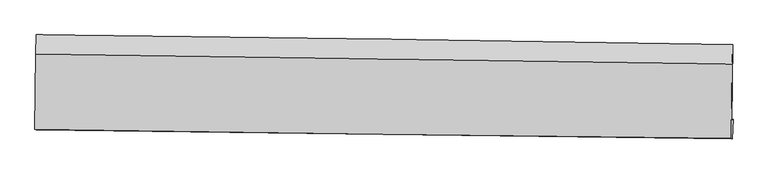
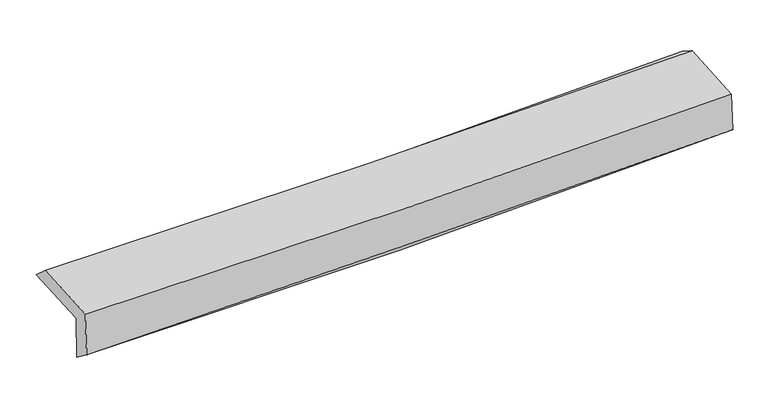
"""IFC4 building model written with IfcOpenShell, lengths in millimetres: proxy geometry."""

from ifc_helpers import new_model, si_unit, frame, origin, place, context, project, spatial, source, transform, mapped, element, save
from ifc_brep_helpers import plane_surface, spline_curve, spline_surface, advanced_brep


def generic_models_b26a0c39(model_context):
    return source(origin(), model_context, "Body", "AdvancedBrep", [
        advanced_brep(
        [(-3031.0899094, -1756.2330354, 1957.6155334), (-3023.9199732, -1086.7886089, 1983.5018663), (3016.5332591, -1170.7686369, 2142.4473806), (3009.537741, -1835.6499686, 2111.7056711), (-3020.9752582, -1743.8325762, 1558.0282353), (3019.3947925, -1823.565324, 1722.2950522), (-3026.1694104, -1912.2822358, 1687.3843363), (3013.9600836, -1992.3297435, 1861.145255), (-3036.2294922, -1908.4782435, 2092.367086), (3005.1466316, -1988.997136, 2215.943166), (-3029.5996246, -1255.0753623, 2132.3927514), (3011.7311423, -1340.064381, 2255.6950037)],
        [
            (0, 1),
            (1, 2, spline_curve(3, [(-3023.9199732, -1086.7886089, 1983.5018663), (-2016.378542016, -1098.558118586, 1978.975830808), (-1009.236392718, -1111.441214424, 1989.958291751), (1004.248016953, -1139.434559964, 2042.940170401), (2010.590278571, -1154.54480695, 2084.93954791), (3016.5332591, -1170.7686369, 2142.4473806)], [4, 2, 4], [0.0, 9.914566921715608, 19.829120800872367])),
            (2, 3),
            (3, 0, spline_curve(3, [(3009.537741, -1835.6499686, 2111.7056711), (2003.495841975, -1822.800967525, 2056.58325066), (997.089586456, -1809.758393657, 2016.181194347), (-1016.452962859, -1783.28608313, 1964.817776469), (-2023.58925716, -1769.856346023, 1953.856453443), (-3031.0899094, -1756.2330354, 1957.6155334)], [4, 2, 4], [0.0, 9.91455387915676, 19.829120800872367])),
            (4, 0),
            (3, 5),
            (5, 4, spline_curve(3, [(3019.3947925, -1823.565324, 1722.2950522), (2013.47983378, -1810.560695592, 1662.157759381), (1007.158514685, -1797.413990118, 1618.400209651), (-1006.298167632, -1770.836408, 1563.644560933), (-2013.433532211, -1757.405530615, 1552.64650481), (-3020.9752582, -1743.8325762, 1558.0282353)], [4, 2, 4], [0.0, 9.914628385224361, 19.829269813105583])),
            (6, 4),
            (5, 7),
            (7, 6, spline_curve(3, [(3013.9600836, -1992.3297435, 1861.145255), (2007.492969837, -1980.401111832, 1822.634544083), (1000.915619646, -1967.766175488, 1788.899118467), (-1012.460877739, -1941.083674762, 1730.978799436), (-2019.260025827, -1927.036108698, 1706.793918962), (-3026.1694104, -1912.2822358, 1687.3843363)], [4, 2, 4], [0.0, 9.913924027317384, 19.827861096365048])),
            (8, 6),
            (7, 9),
            (9, 8, spline_curve(3, [(3005.1466316, -1988.997136, 2215.943166), (1998.721039087, -1977.084204608, 2175.76096535), (992.060563687, -1964.417836448, 2145.371858931), (-1021.731476854, -1937.578207299, 2104.179806575), (-2028.863042894, -1923.404945221, 2093.376886496), (-3036.2294922, -1908.4782435, 2092.367086)], [4, 2, 4], [0.0, 9.913501414855318, 19.82701587088497])),
            (10, 8),
            (9, 11),
            (11, 10, spline_curve(3, [(3011.7311423, -1340.064381, 2255.6950037), (2005.331067879, -1325.636537853, 2215.666859914), (998.687131377, -1311.340202667, 2185.37760046), (-1015.089790534, -1283.010529299, 2144.276824106), (-2022.222776139, -1268.977191514, 2133.465332568), (-3029.5996246, -1255.0753623, 2132.3927514)], [4, 2, 4], [0.0, 9.91381330328559, 19.827639648155802])),
            (1, 10),
            (11, 2),
        ],
        [
            spline_surface(3, 3, [[(-3031.0899094, -1756.2330354, 1957.6155334), (-2023.589257253, -1769.856345929, 1953.85645349), (-1016.452962796, -1783.286083101, 1964.817776428), (997.089586393, -1809.758393687, 2016.181194388), (2003.495842041, -1822.800967526, 2056.583250687), (3009.537741, -1835.6499686, 2111.7056711)], [(-3028.699930653, -1533.084893245, 1966.244311031), (-2021.185685463, -1546.090270145, 1962.229579279), (-1014.047439446, -1559.337793502, 1973.19794813), (999.475729914, -1586.317115758, 2025.100853072), (2005.860654201, -1600.048913934, 2066.035349748), (3011.86958035, -1614.022858016, 2121.9529076)], [(-3026.309951947, -1309.936751055, 1974.873088669), (-2018.782113714, -1322.324194324, 1970.602705077), (-1011.641916083, -1335.389503995, 1981.578119921), (1001.861873448, -1362.87583792, 2034.020511844), (2008.225466412, -1377.296860395, 2075.487448807), (3014.20141975, -1392.395747484, 2132.2001441)], [(-3023.9199732, -1086.7886089, 1983.5018663), (-2016.378541925, -1098.558118539, 1978.975830866), (-1009.236392733, -1111.441214396, 1989.958291624), (1004.248016968, -1139.434559991, 2042.940170528), (2010.590278573, -1154.544806804, 2084.939547867), (3016.5332591, -1170.7686369, 2142.4473806)]], [4, 4], [4, 2, 4], [0.0, 2.203491936981015], [0.0, 9.914566921715608, 19.829120800872367]),
            spline_surface(3, 3, [[(-3020.9752582, -1743.8325762, 1558.0282353), (-2013.433532316, -1757.405530748, 1552.646504937), (-1006.298167733, -1770.836407936, 1563.644560928), (1007.158514786, -1797.413990183, 1618.400209656), (2013.479833726, -1810.560695552, 1662.1577593), (3019.3947925, -1823.565324, 1722.2950522)], [(-3024.346808592, -1747.966062591, 1691.224001345), (-2016.818773953, -1761.555802466, 1686.383154466), (-1009.683099432, -1774.986299673, 1697.368966116), (1003.802205311, -1801.528791367, 1750.993871255), (2010.1518365, -1814.640786208, 1793.632923106), (3016.109108669, -1827.593538864, 1852.098591844)], [(-3027.718359008, -1752.099549009, 1824.419767355), (-2020.204015616, -1765.706074211, 1820.119803961), (-1013.068031097, -1779.136191364, 1831.09337124), (1000.445895869, -1805.643592503, 1883.587532789), (2006.823839267, -1818.72087687, 1925.108086881), (3012.823424831, -1831.621753736, 1981.902131456)], [(-3031.0899094, -1756.2330354, 1957.6155334), (-2023.589257253, -1769.856345929, 1953.85645349), (-1016.452962796, -1783.286083101, 1964.817776428), (997.089586393, -1809.758393687, 2016.181194388), (2003.495842041, -1822.800967526, 2056.583250687), (3009.537741, -1835.6499686, 2111.7056711)]], [4, 4], [4, 2, 4], [0.0, 1.3116709752524296], [0.0, 9.914641427881222, 19.829269813105583]),
            spline_surface(3, 3, [[(-3026.1694104, -1912.2822358, 1687.3843363), (-2019.260025745, -1927.036108694, 1706.79391901), (-1012.460877902, -1941.083674782, 1730.97879956), (1000.915619808, -1967.766175468, 1788.899118343), (2007.492969965, -1980.401111992, 1822.634544055), (3013.9600836, -1992.3297435, 1861.145255)], [(-3024.438026357, -1856.132349247, 1644.265635947), (-2017.317861292, -1870.492582692, 1655.411447632), (-1010.406641173, -1884.334585846, 1675.200719993), (1002.996584807, -1910.982113719, 1732.066148757), (2009.488591217, -1923.787639869, 1769.142282464), (3015.771653231, -1936.074937024, 1814.861854061)], [(-3022.706642243, -1799.982462753, 1601.146935653), (-2015.375696769, -1813.94905675, 1604.028976315), (-1008.352404462, -1827.585496871, 1619.422640496), (1005.077549787, -1854.198051931, 1675.233179242), (2011.484212475, -1867.174167675, 1715.65002089), (3017.583222869, -1879.820130476, 1768.578453139)], [(-3020.9752582, -1743.8325762, 1558.0282353), (-2013.433532316, -1757.405530748, 1552.646504937), (-1006.298167733, -1770.836407936, 1563.644560928), (1007.158514786, -1797.413990183, 1618.400209656), (2013.479833726, -1810.560695552, 1662.1577593), (3019.3947925, -1823.565324, 1722.2950522)]], [4, 4], [4, 2, 4], [0.0, 0.7872189174444623], [0.0, 9.913937069047664, 19.827861096365048]),
            spline_surface(3, 3, [[(-3036.2294922, -1908.4782435, 2092.367086), (-2028.86304285, -1923.404945066, 2093.376886393), (-1021.731476917, -1937.578207447, 2104.179806536), (992.06056375, -1964.417836299, 2145.37185897), (1998.721039047, -1977.084204749, 2175.76096549), (3005.1466316, -1988.997136, 2215.943166)], [(-3032.876131571, -1909.746240943, 1957.3728361), (-2025.66203712, -1924.615332952, 1964.515897266), (-1018.641277238, -1938.746696532, 1979.779470907), (995.01224911, -1965.533949328, 2026.547612124), (2001.64501603, -1978.189840483, 2058.052158329), (3008.084448944, -1990.108005153, 2097.67719565)], [(-3029.522771029, -1911.014238357, 1822.3785862), (-2022.461031475, -1925.825720809, 1835.654908137), (-1015.551077581, -1939.915185697, 1855.379135189), (997.963934448, -1966.650062439, 1907.723365189), (2004.568992982, -1979.295476259, 1940.343351216), (3011.022266256, -1991.218874347, 1979.41122535)], [(-3026.1694104, -1912.2822358, 1687.3843363), (-2019.260025745, -1927.036108694, 1706.79391901), (-1012.460877902, -1941.083674782, 1730.97879956), (1000.915619808, -1967.766175468, 1788.899118343), (2007.492969965, -1980.401111992, 1822.634544055), (3013.9600836, -1992.3297435, 1861.145255)]], [4, 4], [4, 2, 4], [0.0, 1.1973934391024237], [0.0, 9.913514456029652, 19.82701587088497]),
            spline_surface(3, 3, [[(-3029.5996246, -1255.0753623, 2132.3927514), (-2022.222776204, -1268.977191661, 2133.465332649), (-1015.089790413, -1283.010529359, 2144.276824079), (998.687131256, -1311.340202607, 2185.377600487), (2005.331067745, -1325.636537806, 2215.666859786), (3011.7311423, -1340.064381, 2255.6950037)], [(-3031.809580477, -1472.8763227, 2119.050862952), (-2024.436198429, -1487.119776129, 2120.102517249), (-1017.303685896, -1501.199755413, 2130.911151544), (996.478275439, -1529.032747196, 2172.042353294), (2003.127724844, -1542.785760119, 2202.364895023), (3009.536305398, -1556.375299332, 2242.444391135)], [(-3034.019536323, -1690.6772831, 2105.708974448), (-2026.649620625, -1705.262360598, 2106.739701793), (-1019.517581434, -1719.388981393, 2117.545479071), (994.269419567, -1746.72529171, 2158.707106163), (2000.924381948, -1759.934982436, 2189.062930253), (3007.341468502, -1772.686217668, 2229.193778565)], [(-3036.2294922, -1908.4782435, 2092.367086), (-2028.86304285, -1923.404945066, 2093.376886393), (-1021.731476917, -1937.578207447, 2104.179806536), (992.06056375, -1964.417836299, 2145.37185897), (1998.721039047, -1977.084204749, 2175.76096549), (3005.1466316, -1988.997136, 2215.943166)]], [4, 4], [4, 2, 4], [0.0, 2.1492185707863327], [0.0, 9.913826344870213, 19.827639648155802]),
            spline_surface(3, 3, [[(-3023.9199732, -1086.7886089, 1983.5018663), (-2016.378541925, -1098.558118539, 1978.975830866), (-1009.236392733, -1111.441214396, 1989.958291624), (1004.248016968, -1139.434559991, 2042.940170528), (2010.590278573, -1154.544806804, 2084.939547867), (3016.5332591, -1170.7686369, 2142.4473806)], [(-3025.81319035, -1142.884193374, 2033.132161325), (-2018.326620035, -1155.364476254, 2030.472331452), (-1011.187525309, -1168.630986054, 2041.397802464), (1002.394388381, -1196.736440867, 2090.41931387), (2008.837208306, -1211.575383815, 2128.515318516), (3014.932553509, -1227.200551611, 2180.196588309)], [(-3027.70640745, -1198.979777826, 2082.762456375), (-2020.274698094, -1212.170833947, 2081.968832062), (-1013.138657837, -1225.820757701, 2092.837313238), (1000.540759842, -1254.038321731, 2137.898457145), (2007.084138012, -1268.605960794, 2172.091089137), (3013.331847891, -1283.632466289, 2217.945795991)], [(-3029.5996246, -1255.0753623, 2132.3927514), (-2022.222776204, -1268.977191661, 2133.465332649), (-1015.089790413, -1283.010529359, 2144.276824079), (998.687131256, -1311.340202607, 2185.377600487), (2005.331067745, -1325.636537806, 2215.666859786), (3011.7311423, -1340.064381, 2255.6950037)]], [4, 4], [4, 2, 4], [0.0, 0.7448472010106976], [0.0, 9.914190930537618, 19.828368819011004]),
            plane_surface(frame((3012.717275, -1691.895865, 2051.5385881), z_axis=(0.9996208001737095, -0.011670644066432064, 0.024940968849423786), x_axis=(0.024832011049320216, -0.009389663087436788, -0.9996475406133659))),
            plane_surface(frame((-3027.997278, -1610.4483437, 1901.8816348), z_axis=(-0.9996208001736964, 0.011670644066653638, -0.024940968849840494), x_axis=(-0.01070166735768365, -0.9991959937589656, -0.03863729250088309))),
        ],
        [
            (0, [[1, 2, 3, 4]]),
            (1, [[5, -4, 6, 7]]),
            (2, [[8, -7, 9, 10]]),
            (3, [[11, -10, 12, 13]]),
            (4, [[14, -13, 15, 16]]),
            (5, [[17, -16, 18, -2]]),
            (6, [[-12, -9, -6, -3, -18, -15]]),
            (7, [[-1, -5, -8, -11, -14, -17]]),
        ],
    ),
    ])


if __name__ == "__main__":
    model = new_model("IFC4")
    model_context = context("Model", 3, world=origin())
    ifc_project = project(units=[si_unit("LENGTHUNIT", "METRE", prefix="MILLI")], contexts=[model_context])
    site = spatial("IfcSite", under=ifc_project)
    building = spatial("IfcBuilding", under=site)
    placement = place(None, origin())
    generic_models_shape = generic_models_b26a0c39(model_context)
    element("IfcBuildingElementProxy", 1, Name="Generic Models", at=placement, inside=building, context=model_context, shape_type="MappedRepresentation", body=[
        mapped(generic_models_shape, transform((0.0, 0.0, 0.0), x_axis=(1.0, 0.0, 0.0), y_axis=(0.0, 1.0, 0.0), z_axis=(0.0, 0.0, 1.0))),
    ])
    save(model, "model.ifc")
